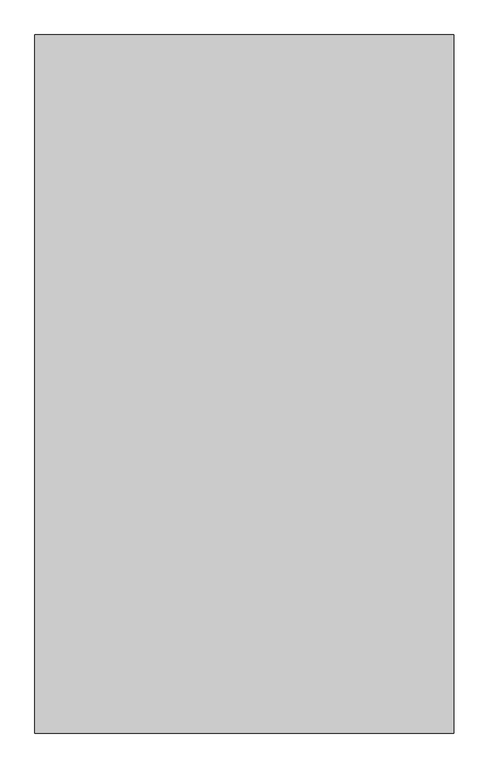
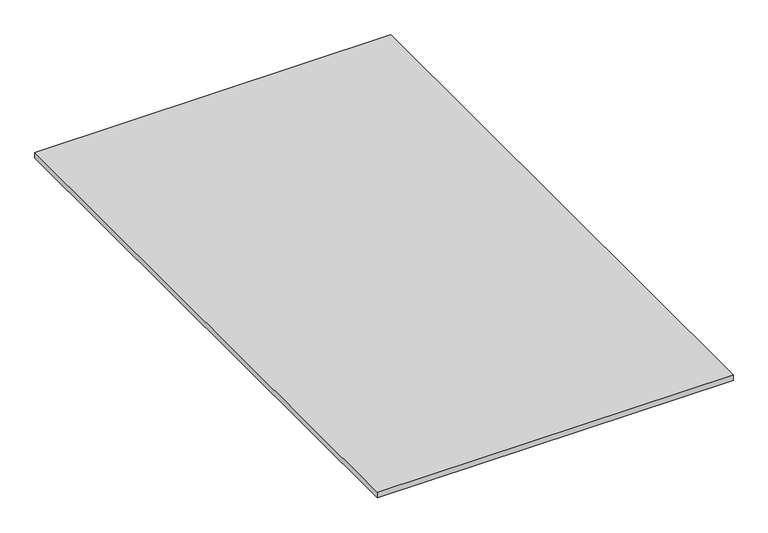
"""IFC4 building model written with IfcOpenShell, lengths in millimetres: proxy geometry."""

from ifc_helpers import new_model, si_unit, origin, origin_with_axes, place, context, project, spatial, polyline, outline, extrude, source, transform, mapped, element, save


def generic_models_3046e979(model_context):
    return source(origin(), model_context, "Body", "SweptSolid", [
        extrude(outline(polyline([(11159.4865951, -7052.8374841), (11159.4865951, -8052.8374841), (10559.4865951, -8052.8374841), (10559.4865951, -7052.8374841), (11159.4865951, -7052.8374841)])), origin_with_axes(), (0.0, 0.0, 1.0), 10.0),
    ])


if __name__ == "__main__":
    model = new_model("IFC4")
    model_context = context("Model", 3, world=origin())
    ifc_project = project(units=[si_unit("LENGTHUNIT", "METRE", prefix="MILLI")], contexts=[model_context])
    site = spatial("IfcSite", under=ifc_project)
    building = spatial("IfcBuilding", under=site)
    placement = place(None, origin())
    generic_models_shape = generic_models_3046e979(model_context)
    element("IfcBuildingElementProxy", 1, Name="Generic Models", at=placement, inside=building, context=model_context, shape_type="MappedRepresentation", body=[
        mapped(generic_models_shape, transform((0.0, 0.0, 0.0), x_axis=(1.0, 0.0, 0.0), y_axis=(0.0, 1.0, 0.0), z_axis=(0.0, 0.0, 1.0))),
    ])
    save(model, "model.ifc")
